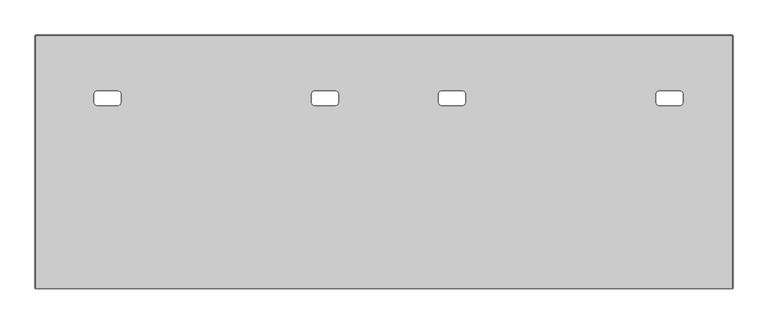
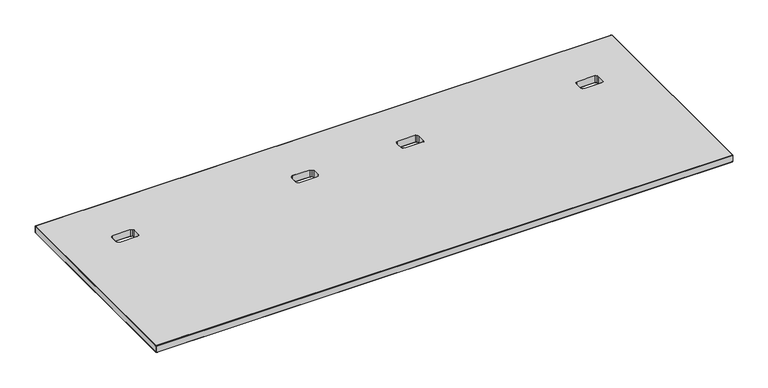
"""IFC4 building model written with IfcOpenShell, lengths in millimetres: furniture geometry."""

from ifc_helpers import new_model, si_unit, origin, place, context, project, spatial, triangles, source, transform, mapped, element, save


def furniture_64062cf4(model_context):
    return source(origin(), model_context, "Body", "Tessellation", [
        triangles([(1306.868486, -221.568398, 711.1999758), (1906.5440918, -221.568398, 711.1999758), (1899.8054043, -224.3596702, 711.1999758), (1313.6071735, -224.3596702, 711.1999758), (1897.0141502, -231.098394, 711.1999758), (1316.3985729, -231.098394, 711.1999758), (1897.0141502, -257.5043949, 711.1999758), (1316.3985729, -257.5043949, 711.1999758), (1306.868486, -267.0343909, 711.1999758), (1906.5440918, -267.0343909, 711.1999758), (1313.6071735, -264.2431187, 711.1999758), (1899.8054043, -264.2431187, 711.1999758), (1313.6071735, -224.3596702, 738.1239864), (1899.8054043, -224.3596702, 738.1239864), (1306.868486, -221.568398, 738.1239864), (1906.5440918, -221.568398, 738.1239864), (1316.3985729, -231.098394, 738.1239864), (1897.0141502, -231.098394, 738.1239864), (1316.3985729, -257.5043949, 738.1239864), (1897.0141502, -257.5043949, 738.1239864), (1313.6071735, -264.2431187, 738.1239864), (1899.8054043, -264.2431187, 738.1239864), (1906.5440918, -267.0343909, 738.1239864), (1306.868486, -267.0343909, 738.1239864), (847.2578047, -224.3596702, 711.1999758), (261.102104, -224.3596702, 711.1999758), (254.3633802, -221.568398, 711.1999758), (853.9964922, -221.568398, 711.1999758), (844.466478, -231.098394, 711.1999758), (263.8933763, -231.098394, 711.1999758), (844.466478, -257.5043949, 711.1999758), (263.8933763, -257.5043949, 711.1999758), (847.2578047, -264.2431187, 711.1999758), (261.102104, -264.2431187, 711.1999758), (254.3633802, -267.0343909, 711.1999758), (853.9964922, -267.0343909, 711.1999758), (853.9964922, -221.568398, 738.1239864), (254.3633802, -221.568398, 738.1239864), (261.102104, -224.3596702, 738.1239864), (847.2578047, -224.3596702, 738.1239864), (263.8933763, -231.098394, 738.1239864), (844.466478, -231.098394, 738.1239864), (263.8933763, -257.5043949, 738.1239864), (844.466478, -257.5043949, 738.1239864), (853.9964922, -267.0343909, 738.1239864), (254.3633802, -267.0343909, 738.1239864), (261.102104, -264.2431187, 738.1239864), (847.2578047, -264.2431187, 738.1239864), (1980.565591, -257.5043949, 711.1999758), (2130.9504524, -824.6684132, 711.1999758), (1977.774337, -264.2431187, 711.1999758), (1971.0355042, -267.0343909, 711.1999758), (2130.9504524, -52.9523956, 711.1999758), (1971.0355042, -221.568398, 711.1999758), (1977.774337, -224.3596702, 711.1999758), (1980.565591, -231.098394, 711.1999758), (2.634996, -52.9523956, 711.1999758), (189.8573793, -221.568398, 711.1999758), (183.1186555, -224.3596702, 711.1999758), (180.3273833, -231.098394, 711.1999758), (918.5025112, -221.568398, 711.1999758), (1242.3625397, -221.568398, 711.1999758), (1235.6238522, -224.3596702, 711.1999758), (925.2412714, -224.3596702, 711.1999758), (1232.8324528, -231.098394, 711.1999758), (928.0325254, -231.098394, 711.1999758), (180.3273833, -257.5043949, 711.1999758), (2.634996, -824.6684132, 711.1999758), (183.1186555, -264.2431187, 711.1999758), (189.8573793, -267.0343909, 711.1999758), (1232.8324528, -257.5043949, 711.1999758), (928.0325254, -257.5043949, 711.1999758), (918.5025112, -267.0343909, 711.1999758), (1242.3625397, -267.0343909, 711.1999758), (1235.6238522, -264.2431187, 711.1999758), (925.2412714, -264.2431187, 711.1999758), (1980.565591, -257.5043949, 738.1239864), (1977.774337, -264.2431187, 738.1239864), (2130.9504524, -824.6684132, 738.1239864), (1971.0355042, -267.0343909, 738.1239864), (2130.9504524, -52.9523956, 738.1239864), (1971.0355042, -221.568398, 738.1239864), (1977.774337, -224.3596702, 738.1239864), (1980.565591, -231.098394, 738.1239864), (2.634996, -52.9523956, 738.1239864), (189.8573793, -221.568398, 738.1239864), (183.1186555, -224.3596702, 738.1239864), (180.3273833, -231.098394, 738.1239864), (925.2412714, -224.3596702, 738.1239864), (1235.6238522, -224.3596702, 738.1239864), (918.5025112, -221.568398, 738.1239864), (1242.3625397, -221.568398, 738.1239864), (928.0325254, -231.098394, 738.1239864), (1232.8324528, -231.098394, 738.1239864), (2.634996, -824.6684132, 738.1239864), (180.3273833, -257.5043949, 738.1239864), (183.1186555, -264.2431187, 738.1239864), (189.8573793, -267.0343909, 738.1239864), (928.0325254, -257.5043949, 738.1239864), (1232.8324528, -257.5043949, 738.1239864), (925.2412714, -264.2431187, 738.1239864), (1235.6238522, -264.2431187, 738.1239864), (1242.3625397, -267.0343909, 738.1239864), (918.5025112, -267.0343909, 738.1239864)], [[1, 2, 3], [1, 3, 4], [4, 3, 5], [4, 5, 6], [5, 7, 8], [5, 8, 6], [9, 10, 11], [10, 12, 11], [11, 12, 8], [12, 7, 8], [13, 14, 15], [14, 16, 15], [17, 18, 13], [18, 14, 13], [17, 19, 20], [17, 20, 18], [21, 22, 23], [21, 23, 24], [19, 20, 22], [19, 22, 21], [25, 26, 27], [25, 27, 28], [29, 30, 26], [29, 26, 25], [29, 31, 32], [29, 32, 30], [33, 34, 35], [33, 35, 36], [31, 32, 34], [31, 34, 33], [37, 38, 39], [37, 39, 40], [40, 39, 41], [40, 41, 42], [41, 43, 44], [41, 44, 42], [45, 46, 47], [45, 47, 48], [48, 47, 43], [48, 43, 44], [49, 50, 51], [51, 50, 52], [52, 50, 10], [53, 54, 2], [53, 55, 54], [53, 56, 55], [53, 50, 49], [53, 49, 56], [57, 27, 58], [53, 2, 27], [53, 27, 57], [57, 58, 59], [57, 59, 60], [61, 62, 63], [61, 63, 64], [64, 63, 65], [64, 65, 66], [60, 67, 57], [67, 68, 57], [67, 69, 68], [69, 70, 68], [70, 35, 68], [65, 71, 72], [65, 72, 66], [73, 74, 75], [73, 75, 76], [76, 75, 72], [75, 71, 72], [10, 50, 68], [10, 68, 35], [77, 78, 79], [78, 80, 79], [80, 23, 79], [81, 16, 82], [81, 82, 83], [81, 83, 84], [84, 77, 79], [84, 79, 81], [85, 86, 38], [85, 38, 16], [85, 16, 81], [85, 87, 86], [85, 88, 87], [89, 90, 91], [90, 92, 91], [93, 94, 89], [94, 90, 89], [85, 95, 96], [85, 96, 88], [96, 95, 97], [97, 95, 98], [98, 95, 46], [93, 99, 100], [93, 100, 94], [101, 102, 103], [101, 103, 104], [99, 100, 102], [99, 102, 101], [46, 95, 79], [46, 79, 23]], closed=False),
        triangles([(263.8933763, -231.098394, 738.1239864), (263.8933763, -231.098394, 711.1999758), (263.8933763, -257.5043949, 738.1239864), (263.8933763, -257.5043949, 711.1999758), (254.3633802, -267.0343909, 738.1239864), (254.3633802, -267.0343909, 711.1999758), (189.8573793, -267.0343909, 711.1999758), (189.8573793, -267.0343909, 738.1239864), (180.3273833, -257.5043949, 738.1239864), (180.3273833, -257.5043949, 711.1999758), (180.3273833, -231.098394, 711.1999758), (180.3273833, -231.098394, 738.1239864), (189.8573793, -221.568398, 738.1239864), (189.8573793, -221.568398, 711.1999758), (254.3633802, -221.568398, 738.1239864), (254.3633802, -221.568398, 711.1999758), (1232.8324528, -257.5043949, 738.1239864), (1232.8324528, -257.5043949, 711.1999758), (1232.8324528, -231.098394, 711.1999758), (1232.8324528, -231.098394, 738.1239864), (1306.868486, -267.0343909, 738.1239864), (1306.868486, -267.0343909, 711.1999758), (1242.3625397, -267.0343909, 711.1999758), (1242.3625397, -267.0343909, 738.1239864), (1316.3985729, -231.098394, 738.1239864), (1316.3985729, -231.098394, 711.1999758), (1316.3985729, -257.5043949, 738.1239864), (1316.3985729, -257.5043949, 711.1999758), (1242.3625397, -221.568398, 738.1239864), (1242.3625397, -221.568398, 711.1999758), (1306.868486, -221.568398, 738.1239864), (1306.868486, -221.568398, 711.1999758), (1896.9996162, -257.5043949, 738.1239864), (1896.9996162, -257.5043949, 711.1999758), (1896.9996162, -231.098394, 711.1999758), (1896.9996162, -231.098394, 738.1239864), (1971.0355042, -267.0343909, 738.1239864), (1971.0355042, -267.0343909, 711.1999758), (1906.5295578, -267.0343909, 711.1999758), (1906.5295578, -267.0343909, 738.1239864), (1980.565591, -231.098394, 738.1239864), (1980.565591, -231.098394, 711.1999758), (1980.565591, -257.5043949, 738.1239864), (1980.565591, -257.5043949, 711.1999758), (1906.5295578, -221.568398, 738.1239864), (1906.5295578, -221.568398, 711.1999758), (1971.0355042, -221.568398, 711.1999758), (1971.0355042, -221.568398, 738.1239864), (928.0325254, -231.098394, 738.1239864), (928.0325254, -231.098394, 711.1999758), (928.0325254, -257.5043949, 738.1239864), (928.0325254, -257.5043949, 711.1999758), (918.5025112, -267.0343909, 738.1239864), (918.5025112, -267.0343909, 711.1999758), (853.9964922, -267.0343909, 711.1999758), (853.9964922, -267.0343909, 738.1239864), (844.466478, -257.5043949, 738.1239864), (844.466478, -257.5043949, 711.1999758), (844.466478, -231.098394, 711.1999758), (844.466478, -231.098394, 738.1239864), (853.9964922, -221.568398, 738.1239864), (853.9964922, -221.568398, 711.1999758), (918.5025112, -221.568398, 738.1239864), (918.5025112, -221.568398, 711.1999758), (2132.3791443, -824.6684132, 711.7857685), (2132.3791443, -52.9523956, 711.7857685), (2132.9650097, -52.9523956, 713.199999), (2132.9650097, -824.6684132, 713.199999), (2130.9649864, -824.6684132, 711.1999758), (2130.9649864, -52.9523956, 711.1999758), (2130.9649864, -51.5381832, 711.7857685), (2.634996, -51.5381832, 711.7857685), (2.634996, -50.952395, 713.199999), (2130.9649864, -50.952395, 713.199999), (2.634996, -52.9523956, 711.1999758), (1.2207825, -52.9523956, 711.7857685), (1.2207825, -824.6684132, 711.7857685), (0.634996, -824.6684132, 713.199999), (0.634996, -52.9523956, 713.199999), (2.634996, -824.6684132, 711.1999758), (2.634996, -826.0826437, 711.7857685), (2130.9649864, -826.0826437, 711.7857685), (2130.9649864, -826.6683638, 713.199999), (2.634996, -826.6683638, 713.199999), (2131.9649254, -51.9523976, 711.7857685), (2132.3791443, -51.5381832, 713.199999), (2131.9649254, -825.6684248, 711.7857685), (2132.3791443, -826.0826437, 713.199999), (1.634996, -51.9523976, 711.7857685), (1.2207825, -51.5381832, 713.199999), (1.634996, -825.6684248, 711.7857685), (1.2207825, -826.0826437, 713.199999), (2130.9649864, -50.952395, 736.1240358), (2.634996, -50.952395, 736.1240358), (0.634996, -52.9523956, 736.1240358), (0.634996, -824.6684132, 736.1240358), (2132.9650097, -824.6684132, 736.1240358), (2132.9650097, -52.9523956, 736.1240358), (2.634996, -826.6683638, 736.1240358), (2130.9649864, -826.6683638, 736.1240358), (2132.3791443, -824.6684132, 737.5381937), (2132.3791443, -52.9523956, 737.5381937), (2130.9649864, -824.6684132, 738.1239864), (2130.9649864, -52.9523956, 738.1239864), (2130.9649864, -51.5381832, 737.5381937), (2.634996, -51.5381832, 737.5381937), (2.634996, -52.9523956, 738.1239864), (1.2207825, -52.9523956, 737.5381937), (1.2207825, -824.6684132, 737.5381937), (2.634996, -824.6684132, 738.1239864), (2.634996, -826.0826437, 737.5381937), (2130.9649864, -826.0826437, 737.5381937), (2132.3791443, -51.5381832, 736.1240358), (2131.9649254, -51.9523976, 737.5381937), (2132.3791443, -826.0826437, 736.1240358), (2131.9649254, -825.6684248, 737.5381937), (1.2207825, -51.5381832, 736.1240358), (1.634996, -51.9523976, 737.5381937), (1.2207825, -826.0826437, 736.1240358), (1.634996, -825.6684248, 737.5381937), (925.2412714, -224.3596702, 711.1999758), (925.2412714, -224.3596702, 738.1239864), (847.2578047, -264.2431187, 711.1999758), (847.2578047, -264.2431187, 738.1239864), (847.2578047, -224.3596702, 738.1239864), (847.2578047, -224.3596702, 711.1999758), (925.2412714, -264.2431187, 711.1999758), (925.2412714, -264.2431187, 738.1239864), (1899.7908703, -224.3596702, 738.1239864), (1899.7908703, -224.3596702, 711.1999758), (1977.774337, -264.2431187, 711.1999758), (1977.774337, -264.2431187, 738.1239864), (1977.774337, -224.3596702, 711.1999758), (1977.774337, -224.3596702, 738.1239864), (1899.7908703, -264.2431187, 711.1999758), (1899.7908703, -264.2431187, 738.1239864), (1235.6237068, -224.3596702, 738.1239864), (1235.6237068, -224.3596702, 711.1999758), (1313.6071735, -264.2431187, 711.1999758), (1313.6071735, -264.2431187, 738.1239864), (1313.6071735, -224.3596702, 711.1999758), (1313.6071735, -224.3596702, 738.1239864), (1235.6237068, -264.2431187, 711.1999758), (1235.6237068, -264.2431187, 738.1239864), (261.102104, -224.3596702, 711.1999758), (261.102104, -224.3596702, 738.1239864), (183.1186555, -264.2431187, 711.1999758), (183.1186555, -264.2431187, 738.1239864), (183.1186555, -224.3596702, 711.1999758), (183.1186555, -224.3596702, 738.1239864), (261.102104, -264.2431187, 738.1239864), (261.102104, -264.2431187, 711.1999758)], [[1, 2, 3], [2, 4, 3], [5, 6, 7], [5, 7, 8], [9, 10, 11], [9, 11, 12], [13, 14, 15], [14, 16, 15], [17, 18, 19], [17, 19, 20], [21, 22, 23], [21, 23, 24], [25, 26, 27], [26, 28, 27], [29, 30, 31], [30, 32, 31], [33, 34, 35], [33, 35, 36], [37, 38, 39], [37, 39, 40], [41, 42, 43], [42, 44, 43], [45, 46, 47], [45, 47, 48], [49, 50, 51], [50, 52, 51], [53, 54, 55], [53, 55, 56], [57, 58, 59], [57, 59, 60], [61, 62, 63], [62, 64, 63], [65, 66, 67], [65, 67, 68], [69, 70, 66], [69, 66, 65], [71, 72, 73], [71, 73, 74], [70, 75, 72], [70, 72, 71], [76, 77, 78], [76, 78, 79], [75, 80, 77], [75, 77, 76], [81, 82, 83], [81, 83, 84], [80, 69, 82], [80, 82, 81], [85, 71, 86], [71, 74, 86], [70, 71, 85], [66, 85, 70], [67, 86, 85], [67, 85, 66], [87, 82, 88], [82, 83, 88], [69, 82, 87], [65, 87, 69], [68, 88, 87], [68, 87, 65], [89, 72, 73], [89, 73, 90], [75, 72, 89], [76, 89, 75], [79, 90, 89], [79, 89, 76], [91, 81, 84], [91, 84, 92], [80, 81, 91], [77, 91, 80], [78, 92, 91], [78, 91, 77], [93, 74, 73], [93, 73, 94], [95, 79, 78], [95, 78, 96], [97, 68, 67], [97, 67, 98], [99, 84, 83], [99, 83, 100], [101, 102, 98], [101, 98, 97], [103, 104, 102], [103, 102, 101], [105, 106, 94], [105, 94, 93], [104, 107, 106], [104, 106, 105], [108, 109, 96], [108, 96, 95], [107, 110, 109], [107, 109, 108], [111, 112, 100], [111, 100, 99], [110, 103, 112], [110, 112, 111], [113, 86, 74], [113, 74, 93], [98, 67, 86], [98, 86, 113], [114, 105, 93], [114, 93, 113], [104, 105, 114], [102, 114, 104], [98, 113, 114], [98, 114, 102], [115, 88, 83], [115, 83, 100], [97, 68, 88], [97, 88, 115], [116, 112, 100], [116, 100, 115], [103, 112, 116], [101, 116, 103], [97, 115, 116], [97, 116, 101], [117, 90, 73], [117, 73, 94], [95, 79, 90], [95, 90, 117], [118, 106, 117], [106, 94, 117], [107, 106, 118], [108, 118, 107], [95, 117, 118], [95, 118, 108], [119, 92, 84], [119, 84, 99], [96, 78, 92], [96, 92, 119], [120, 111, 119], [111, 99, 119], [110, 111, 120], [109, 120, 110], [96, 119, 120], [96, 120, 109], [50, 49, 121], [49, 122, 121], [121, 122, 64], [122, 63, 64], [56, 55, 123], [56, 123, 124], [124, 123, 58], [124, 58, 57], [60, 59, 125], [59, 126, 125], [125, 126, 62], [125, 62, 61], [51, 52, 127], [51, 127, 128], [128, 127, 54], [128, 54, 53], [35, 36, 129], [35, 129, 130], [130, 129, 45], [130, 45, 46], [37, 38, 131], [37, 131, 132], [132, 131, 44], [132, 44, 43], [41, 42, 133], [41, 133, 134], [134, 133, 47], [134, 47, 48], [33, 34, 135], [33, 135, 136], [136, 135, 39], [136, 39, 40], [19, 20, 137], [19, 137, 138], [138, 137, 29], [138, 29, 30], [21, 22, 139], [21, 139, 140], [140, 139, 28], [140, 28, 27], [25, 26, 141], [25, 141, 142], [142, 141, 32], [142, 32, 31], [17, 18, 143], [17, 143, 144], [144, 143, 23], [144, 23, 24], [2, 1, 145], [1, 146, 145], [145, 146, 16], [146, 15, 16], [8, 7, 147], [8, 147, 148], [148, 147, 10], [148, 10, 9], [12, 11, 149], [12, 149, 150], [150, 149, 13], [149, 14, 13], [3, 4, 151], [4, 152, 151], [151, 152, 6], [151, 6, 5]], closed=False),
    ])


if __name__ == "__main__":
    model = new_model("IFC4")
    model_context = context("Model", 3, world=origin())
    ifc_project = project(units=[si_unit("LENGTHUNIT", "METRE", prefix="MILLI")], contexts=[model_context])
    site = spatial("IfcSite", under=ifc_project)
    building = spatial("IfcBuilding", under=site)
    placement = place(None, origin())
    furniture_shape = furniture_64062cf4(model_context)
    element("IfcFurniture", 1, at=placement, inside=building, context=model_context, shape_type="MappedRepresentation", body=[
        mapped(furniture_shape, transform((0.0, 0.0, 0.0), x_axis=(1.0, 0.0, 0.0), y_axis=(0.0, 1.0, 0.0), z_axis=(0.0, 0.0, 1.0))),
    ])
    save(model, "model.ifc")
